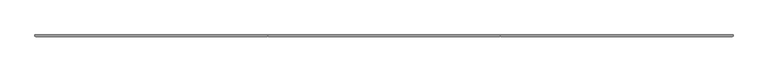
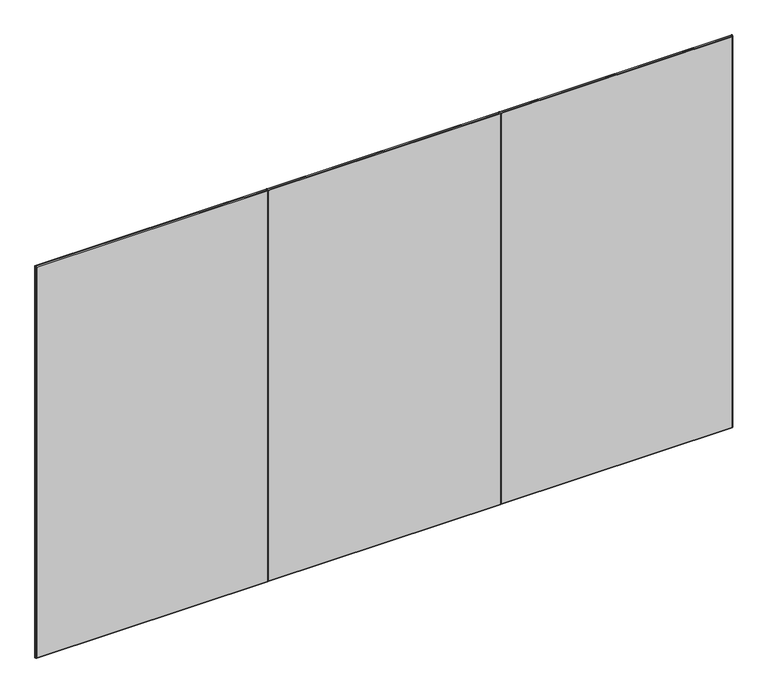
"""IFC4 building model written with IfcOpenShell, lengths in millimetres: furniture geometry."""

from ifc_helpers import new_model, si_unit, origin, place, context, project, spatial, triangles, source, transform, mapped, element, save


def furniture_82a04691(model_context):
    return source(origin(), model_context, "Body", "Tessellation", [
        triangles([(1219.2, -31.7499992, 12.6989228), (2438.4, -31.7499992, 12.6989228), (2435.2250484, -34.9250008, 14.6039221), (1222.3749516, -34.9250008, 14.6039221), (2438.4, -31.7499992, 2186.2999809), (2435.2250484, -34.9250008, 2183.124884), (1219.2, -31.7499992, 2186.2999809), (1222.3749516, -34.9250008, 2183.124884), (1219.2, -25.4000008, 12.6989228), (2438.4, -25.4000008, 12.6989228), (2438.4, -25.4000008, 2186.2999809), (1219.2, -25.4000008, 2186.2999809), (3657.6, -31.7499992, 12.6989228), (3654.4249031, -34.9250008, 14.6039221), (2441.5750969, -34.9250008, 14.6039221), (3657.6, -31.7499992, 2186.2999809), (3654.4249031, -34.9250008, 2183.124884), (2441.5750969, -34.9250008, 2183.124884), (3657.6, -25.4000008, 12.6989228), (3657.6, -25.4000008, 2186.2999809), (0.0, -31.7499992, 12.6989228), (1216.0249758, -34.9250008, 14.6039221), (3.1750001, -34.9250008, 14.6039221), (1216.0249758, -34.9250008, 2183.124884), (0.0, -31.7499992, 2186.2999809), (3.1750001, -34.9250008, 2183.124884), (0.0, -25.4000008, 12.6989228), (0.0, -25.4000008, 2186.2999809)], [[1, 2, 3], [1, 3, 4], [5, 6, 3], [5, 3, 2], [5, 7, 8], [5, 8, 6], [1, 4, 8], [1, 8, 7], [9, 10, 2], [9, 2, 1], [11, 5, 2], [11, 2, 10], [11, 12, 7], [11, 7, 5], [9, 1, 7], [9, 7, 12], [2, 13, 14], [2, 14, 15], [16, 17, 14], [16, 14, 13], [16, 5, 18], [16, 18, 17], [2, 15, 18], [2, 18, 5], [10, 19, 13], [10, 13, 2], [20, 16, 13], [20, 13, 19], [20, 11, 5], [20, 5, 16], [10, 2, 5], [10, 5, 11], [21, 1, 22], [21, 22, 23], [7, 24, 22], [7, 22, 1], [7, 25, 26], [7, 26, 24], [21, 23, 26], [21, 26, 25], [27, 9, 1], [27, 1, 21], [12, 7, 1], [12, 1, 9], [12, 28, 25], [12, 25, 7], [27, 21, 25], [27, 25, 28]], closed=False),
        triangles([(1219.2, -25.4000008, 2186.2999809), (2438.4, -25.4000008, 2186.2999809), (1219.2, -25.4000008, 12.6989228), (2438.4, -25.4000008, 12.6989228), (1222.3749516, -34.9250008, 15.8739221), (2435.2250484, -34.9250008, 15.8739221), (2435.2250484, -34.9250008, 2183.124884), (1222.3749516, -34.9250008, 2183.124884), (3657.6, -25.4000008, 2186.2999809), (3657.6, -25.4000008, 12.6989228), (2441.5750969, -34.9250008, 15.8739221), (3654.4249031, -34.9250008, 15.8739221), (3654.4249031, -34.9250008, 2183.124884), (2441.5750969, -34.9250008, 2183.124884), (0.0, -25.4000008, 2186.2999809), (0.0, -25.4000008, 12.6989228), (3.1750001, -34.9250008, 15.8739221), (1216.0249758, -34.9250008, 15.8739221), (1216.0249758, -34.9250008, 2183.124884), (3.1750001, -34.9250008, 2183.124884)], [[1, 2, 3], [2, 4, 3], [5, 6, 7], [5, 7, 8], [2, 9, 4], [9, 10, 4], [11, 12, 13], [11, 13, 14], [15, 1, 3], [15, 3, 16], [17, 18, 19], [17, 19, 20]], closed=False),
    ])


if __name__ == "__main__":
    model = new_model("IFC4")
    model_context = context("Model", 3, world=origin())
    ifc_project = project(units=[si_unit("LENGTHUNIT", "METRE", prefix="MILLI")], contexts=[model_context])
    site = spatial("IfcSite", under=ifc_project)
    building = spatial("IfcBuilding", under=site)
    placement = place(None, origin())
    furniture_shape = furniture_82a04691(model_context)
    element("IfcFurniture", 1, at=placement, inside=building, context=model_context, shape_type="MappedRepresentation", body=[
        mapped(furniture_shape, transform((0.0, 0.0, 0.0), x_axis=(1.0, 0.0, 0.0), y_axis=(0.0, 1.0, 0.0), z_axis=(0.0, 0.0, 1.0))),
    ])
    save(model, "model.ifc")
